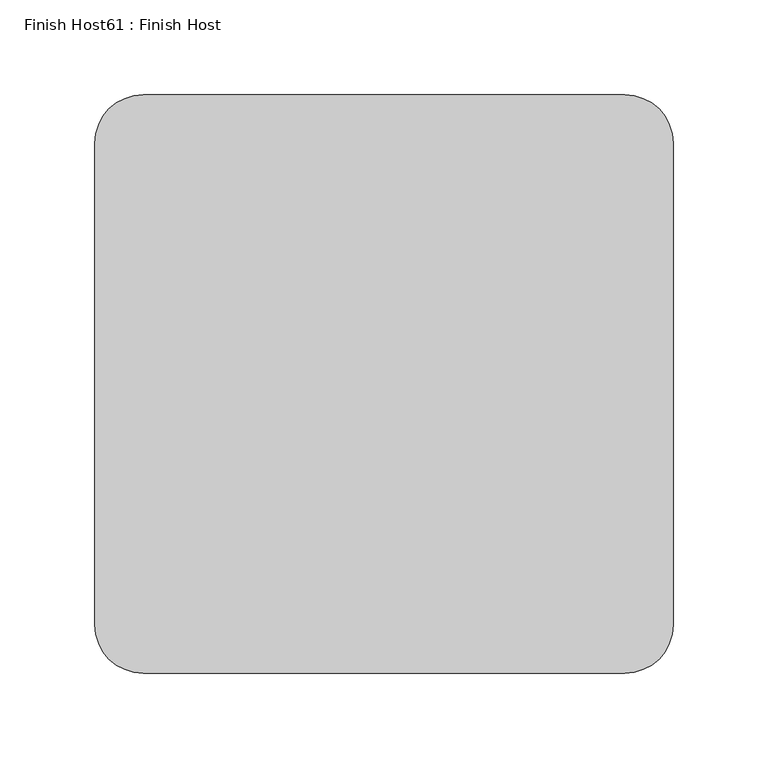
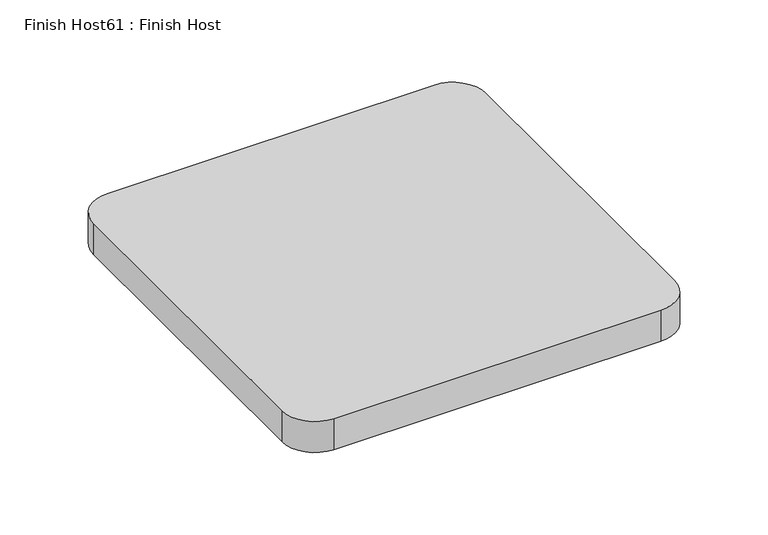
"""IFC4 building model written with IfcOpenShell, lengths in millimetres: proxy geometry, Finish Host61 : Finish Host."""

from ifc_helpers import new_model, si_unit, point, frame_2d, origin, origin_with_axes, place, context, project, spatial, polyline, circle_curve, trimmed, segment, composite_curve, outline, extrude, source, transform, mapped, element, save


def finish_host61_finish_host_1c5bda7f(model_context):
    return source(origin(), model_context, "Body", "SweptSolid", [
        extrude(outline(composite_curve([segment(polyline([(5356.6934426, 546.4122951), (5356.6934426, 800.4122951)]), True, "CONTINUOUS"), segment(trimmed(circle_curve(frame_2d((5382.0934426, 800.4122951)), 25.4), [point((5356.6934426, 800.4122951))], [point((5382.0934426, 825.8122951))], False, "CARTESIAN"), True, "CONTINUOUS"), segment(polyline([(5382.0934426, 825.8122951), (5636.0934426, 825.8122951)]), True, "CONTINUOUS"), segment(trimmed(circle_curve(frame_2d((5636.0934426, 800.4122951)), 25.4), [point((5636.0934426, 825.8122951))], [point((5661.4934426, 800.4122951))], False, "CARTESIAN"), True, "CONTINUOUS"), segment(polyline([(5661.4934426, 800.4122951), (5661.4934426, 546.4122951)]), True, "CONTINUOUS"), segment(trimmed(circle_curve(frame_2d((5636.0934426, 546.4122951)), 25.4), [point((5661.4934426, 546.4122951))], [point((5636.0934426, 521.0122951))], False, "CARTESIAN"), True, "CONTINUOUS"), segment(polyline([(5636.0934426, 521.0122951), (5382.0934426, 521.0122951)]), True, "CONTINUOUS"), segment(trimmed(circle_curve(frame_2d((5382.0934426, 546.4122951)), 25.4), [point((5382.0934426, 521.0122951))], [point((5356.6934426, 546.4122951))], False, "CARTESIAN"), True, "CONTINUOUS")], self_intersect=False)), origin_with_axes(), (0.0, 0.0, 1.0), 25.4),
    ])


if __name__ == "__main__":
    model = new_model("IFC4")
    model_context = context("Model", 3, world=origin())
    ifc_project = project(units=[si_unit("LENGTHUNIT", "METRE", prefix="MILLI")], contexts=[model_context])
    site = spatial("IfcSite", under=ifc_project)
    building = spatial("IfcBuilding", under=site)
    placement = place(None, origin())
    finish_host61_finish_host_shape = finish_host61_finish_host_1c5bda7f(model_context)
    element("IfcBuildingElementProxy", 1, Name="Finish Host61 : Finish Host", ObjectType="Finish Host61 : Finish Host", at=placement, inside=building, context=model_context, shape_type="MappedRepresentation", body=[
        mapped(finish_host61_finish_host_shape, transform((0.0, 0.0, 0.0), x_axis=(1.0, 0.0, 0.0), y_axis=(0.0, 1.0, 0.0), z_axis=(0.0, 0.0, 1.0))),
    ])
    save(model, "model.ifc")
